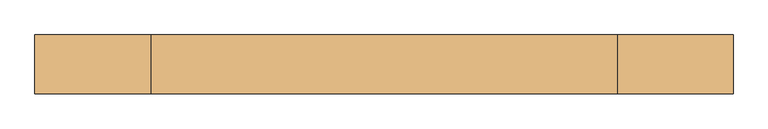
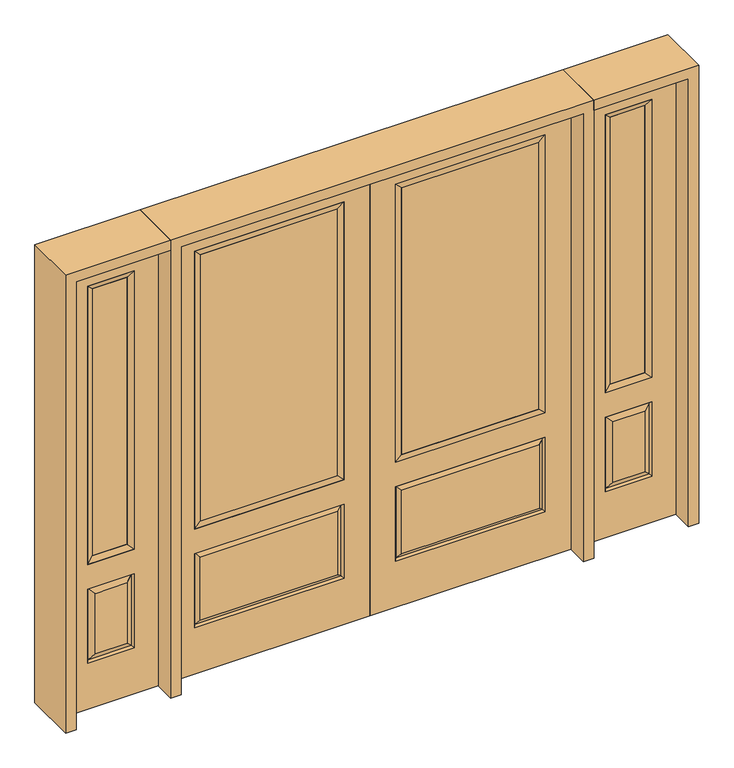
"""IFC4 building model written with IfcOpenShell, lengths in millimetres: door geometry."""

from ifc_helpers import new_model, si_unit, frame, origin, place, context, project, spatial, polyline, outline, extrude, faceted_brep, source, transform, mapped, element, save


def door_95a204be(model_context):
    return source(origin(), model_context, "Body", "SolidModel", [
        faceted_brep([(745.3661499, -12.7912373, 216.6588501), (727.86875, -22.225, 234.15625), (135.73125, -22.225, 234.15625), (118.2338501, -12.7912373, 216.6588501), (111.125, -22.225, 209.55), (752.475, -22.225, 209.55), (752.475, -22.225, 546.1), (745.3661499, -12.7912373, 538.9911499), (0.0, -22.225, 2032.0), (0.0, -22.225, 0.0), (863.6, -22.225, 0.0), (863.6, -22.225, 2032.0), (111.125, -22.225, 546.1), (111.125, -22.225, 1917.7), (752.475, -22.225, 1917.7), (752.475, -22.225, 657.098), (111.125, -22.225, 657.098), (727.86875, -22.225, 521.49375), (135.73125, -22.225, 521.49375), (118.2338501, -12.7912373, 538.9911499), (863.6, 22.225, 0.0), (863.6, 22.225, 2032.0), (0.0, 22.225, 0.0), (0.0, 22.225, 2032.0), (111.125, 22.225, 657.098), (111.125, 22.225, 1917.7), (752.475, 22.225, 657.098), (752.475, 22.225, 1917.7), (135.73125, 22.225, 234.15625), (135.73125, 22.225, 521.49375), (727.86875, 22.225, 521.49375), (727.86875, 22.225, 234.15625), (752.475, 22.225, 209.55), (752.475, 22.225, 546.1), (111.125, 22.225, 546.1), (111.125, 22.225, 209.55), (118.2338501, 12.7912373, 216.6588501), (745.3661499, 12.7912373, 216.6588501), (118.2338501, 12.7912373, 538.9911499), (745.3661499, 12.7912373, 538.9911499)], [[[0, 1, 2, 3]], [[3, 4, 5, 0]], [[5, 6, 7, 0]], [[8, 9, 10, 11], [4, 12, 6, 5], [13, 14, 15, 16]], [[1, 17, 18, 2]], [[3, 19, 12, 4]], [[2, 18, 19, 3]], [[0, 7, 17, 1]], [[6, 12, 19, 7]], [[7, 19, 18, 17]], [[10, 20, 21, 11]], [[9, 22, 20, 10]], [[8, 23, 22, 9]], [[16, 24, 25, 13]], [[15, 26, 24, 16]], [[14, 27, 26, 15]], [[28, 29, 30, 31]], [[23, 21, 20, 22], [25, 24, 26, 27], [32, 33, 34, 35]], [[32, 35, 36, 37]], [[35, 34, 38, 36]], [[39, 38, 34, 33]], [[37, 39, 33, 32]], [[36, 28, 31, 37]], [[31, 30, 39, 37]], [[30, 29, 38, 39]], [[36, 38, 29, 28]], [[11, 21, 23, 8]], [[13, 25, 27, 14]]]),
        faceted_brep([(752.475, -22.225, 1917.7), (752.475, -22.225, 657.098), (752.475, 22.225, 657.098), (752.475, 22.225, 1917.7), (111.125, -22.225, 657.098), (111.125, 22.225, 657.098), (136.525, 5.08, 682.498), (727.075, 5.08, 682.498), (111.125, -22.225, 1917.7), (111.125, 22.225, 1917.7), (727.075, -20.32, 682.498), (136.525, -20.32, 682.498), (727.075, -20.32, 1892.3), (136.525, -20.32, 1892.3), (727.075, 5.08, 1892.3), (136.525, 5.08, 1892.3)], [[[0, 1, 2, 3]], [[1, 4, 5, 2]], [[2, 5, 6, 7]], [[4, 8, 9, 5]], [[10, 11, 4, 1]], [[12, 10, 1, 0]], [[11, 13, 8, 4]], [[7, 6, 11, 10]], [[14, 7, 10, 12]], [[6, 15, 13, 11]], [[3, 2, 7, 14]], [[5, 9, 15, 6]], [[8, 0, 3, 9]], [[13, 12, 0, 8]], [[15, 14, 12, 13]], [[9, 3, 14, 15]]]),
        extrude(outline(polyline([(136.525, -20.32), (136.525, 5.08), (727.075, 5.08), (727.075, -20.32), (136.525, -20.32)])), frame((0.0, 0.0, 682.498), z_axis=(0.0, 0.0, 1.0), x_axis=(1.0, 0.0, 0.0)), (0.0, 0.0, 1.0), 1209.802),
        faceted_brep([(908.05, -22.225, 0.0), (1314.45, -22.225, 0.0), (1314.45, -22.225, 2032.0), (908.05, -22.225, 2032.0), (1211.58, -22.225, 1919.224), (1211.58, -22.225, 657.098), (1010.92, -22.225, 657.098), (1010.92, -22.225, 1919.224), (1211.58, -22.225, 209.55), (1010.92, -22.225, 209.55), (1010.92, -22.225, 546.1), (1211.58, -22.225, 546.1), (1042.6351001, -22.225, 241.2651001), (1179.8648999, -22.225, 241.2651001), (1179.8648999, -22.225, 514.3848999), (1042.6351001, -22.225, 514.3848999), (908.05, 22.225, 0.0), (908.05, 22.225, 2032.0), (1314.45, 22.225, 2032.0), (1314.45, 22.225, 0.0), (1211.58, 22.225, 1919.224), (1010.92, 22.225, 1919.224), (1010.92, 22.225, 657.098), (1211.58, 22.225, 657.098), (1010.92, 22.225, 209.55), (1211.58, 22.225, 209.55), (1211.58, 22.225, 546.1), (1010.92, 22.225, 546.1), (1179.8648999, 22.225, 241.2651001), (1042.6351001, 22.225, 241.2651001), (1042.6351001, 22.225, 514.3848999), (1179.8648999, 22.225, 514.3848999), (1204.4711499, 12.7912373, 216.6588501), (1018.0288501, 12.7912373, 216.6588501), (1018.0288501, 12.7912373, 538.9911499), (1204.4711499, 12.7912373, 538.9911499), (1018.0288501, -12.7912373, 216.6588501), (1204.4711499, -12.7912373, 216.6588501), (1018.0288501, -12.7912373, 538.9911499), (1204.4711499, -12.7912373, 538.9911499)], [[[0, 1, 2, 3], [4, 5, 6, 7], [8, 9, 10, 11]], [[12, 13, 14, 15]], [[16, 17, 18, 19], [20, 21, 22, 23], [24, 25, 26, 27]], [[28, 29, 30, 31]], [[1, 0, 16, 19]], [[2, 1, 19, 18]], [[3, 2, 18, 17]], [[0, 3, 17, 16]], [[5, 4, 20, 23]], [[6, 5, 23, 22]], [[7, 6, 22, 21]], [[4, 7, 21, 20]], [[32, 33, 29, 28]], [[33, 32, 25, 24]], [[29, 33, 34, 30]], [[33, 24, 27, 34]], [[30, 34, 35, 31]], [[34, 27, 26, 35]], [[32, 28, 31, 35]], [[25, 32, 35, 26]], [[12, 36, 37, 13]], [[37, 36, 9, 8]], [[36, 12, 15, 38]], [[9, 36, 38, 10]], [[38, 15, 14, 39]], [[10, 38, 39, 11]], [[13, 37, 39, 14]], [[37, 8, 11, 39]]]),
        faceted_brep([(1010.92, 22.225, 1919.224), (1010.92, -22.225, 1919.224), (1211.58, -22.225, 1919.224), (1211.58, 22.225, 1919.224), (1036.32, 12.7, 1893.824), (1186.18, 12.7, 1893.824), (1036.32, -12.7, 1893.824), (1186.18, -12.7, 1893.824), (1211.58, -22.225, 657.098), (1211.58, 22.225, 657.098), (1186.18, 12.7, 682.498), (1186.18, -12.7, 682.498), (1010.92, -22.225, 657.098), (1010.92, 22.225, 657.098), (1036.32, 12.7, 682.498), (1036.32, -12.7, 682.498)], [[[0, 1, 2, 3]], [[4, 0, 3, 5]], [[6, 4, 5, 7]], [[1, 6, 7, 2]], [[3, 2, 8, 9]], [[5, 3, 9, 10]], [[7, 5, 10, 11]], [[2, 7, 11, 8]], [[9, 8, 12, 13]], [[10, 9, 13, 14]], [[11, 10, 14, 15]], [[8, 11, 15, 12]], [[13, 12, 1, 0]], [[14, 13, 0, 4]], [[15, 14, 4, 6]], [[12, 15, 6, 1]]]),
        extrude(outline(polyline([(1186.18, -12.7), (1036.32, -12.7), (1036.32, 12.7), (1186.18, 12.7), (1186.18, -12.7)])), frame((0.0, 0.0, 682.498), z_axis=(0.0, 0.0, 1.0), x_axis=(1.0, 0.0, 0.0)), (0.0, 0.0, 1.0), 1211.326),
        faceted_brep([(-1314.45, -22.225, 0.0), (-908.05, -22.225, 0.0), (-908.05, -22.225, 2032.0), (-1314.45, -22.225, 2032.0), (-1010.92, -22.225, 1919.224), (-1010.92, -22.225, 657.098), (-1211.58, -22.225, 657.098), (-1211.58, -22.225, 1919.224), (-1010.92, -22.225, 209.55), (-1211.58, -22.225, 209.55), (-1211.58, -22.225, 546.1), (-1010.92, -22.225, 546.1), (-1179.8648999, -22.225, 241.2651001), (-1042.6351001, -22.225, 241.2651001), (-1042.6351001, -22.225, 514.3848999), (-1179.8648999, -22.225, 514.3848999), (-1314.45, 22.225, 0.0), (-1314.45, 22.225, 2032.0), (-908.05, 22.225, 2032.0), (-908.05, 22.225, 0.0), (-1010.92, 22.225, 1919.224), (-1211.58, 22.225, 1919.224), (-1211.58, 22.225, 657.098), (-1010.92, 22.225, 657.098), (-1211.58, 22.225, 209.55), (-1010.92, 22.225, 209.55), (-1010.92, 22.225, 546.1), (-1211.58, 22.225, 546.1), (-1042.6351001, 22.225, 241.2651001), (-1179.8648999, 22.225, 241.2651001), (-1179.8648999, 22.225, 514.3848999), (-1042.6351001, 22.225, 514.3848999), (-1018.0288501, 12.7912373, 216.6588501), (-1204.4711499, 12.7912373, 216.6588501), (-1204.4711499, 12.7912373, 538.9911499), (-1018.0288501, 12.7912373, 538.9911499), (-1204.4711499, -12.7912373, 216.6588501), (-1018.0288501, -12.7912373, 216.6588501), (-1204.4711499, -12.7912373, 538.9911499), (-1018.0288501, -12.7912373, 538.9911499)], [[[0, 1, 2, 3], [4, 5, 6, 7], [8, 9, 10, 11]], [[12, 13, 14, 15]], [[16, 17, 18, 19], [20, 21, 22, 23], [24, 25, 26, 27]], [[28, 29, 30, 31]], [[1, 0, 16, 19]], [[2, 1, 19, 18]], [[3, 2, 18, 17]], [[0, 3, 17, 16]], [[5, 4, 20, 23]], [[6, 5, 23, 22]], [[7, 6, 22, 21]], [[4, 7, 21, 20]], [[32, 33, 29, 28]], [[33, 32, 25, 24]], [[29, 33, 34, 30]], [[33, 24, 27, 34]], [[30, 34, 35, 31]], [[34, 27, 26, 35]], [[32, 28, 31, 35]], [[25, 32, 35, 26]], [[12, 36, 37, 13]], [[37, 36, 9, 8]], [[36, 12, 15, 38]], [[9, 36, 38, 10]], [[38, 15, 14, 39]], [[10, 38, 39, 11]], [[13, 37, 39, 14]], [[37, 8, 11, 39]]]),
        faceted_brep([(-1211.58, 22.225, 1919.224), (-1211.58, -22.225, 1919.224), (-1010.92, -22.225, 1919.224), (-1010.92, 22.225, 1919.224), (-1186.18, 12.7, 1893.824), (-1036.32, 12.7, 1893.824), (-1186.18, -12.7, 1893.824), (-1036.32, -12.7, 1893.824), (-1010.92, -22.225, 657.098), (-1010.92, 22.225, 657.098), (-1036.32, 12.7, 682.498), (-1036.32, -12.7, 682.498), (-1211.58, -22.225, 657.098), (-1211.58, 22.225, 657.098), (-1186.18, 12.7, 682.498), (-1186.18, -12.7, 682.498)], [[[0, 1, 2, 3]], [[4, 0, 3, 5]], [[6, 4, 5, 7]], [[1, 6, 7, 2]], [[3, 2, 8, 9]], [[5, 3, 9, 10]], [[7, 5, 10, 11]], [[2, 7, 11, 8]], [[9, 8, 12, 13]], [[10, 9, 13, 14]], [[11, 10, 14, 15]], [[8, 11, 15, 12]], [[13, 12, 1, 0]], [[14, 13, 0, 4]], [[15, 14, 4, 6]], [[12, 15, 6, 1]]]),
        extrude(outline(polyline([(-1036.32, -12.7), (-1186.18, -12.7), (-1186.18, 12.7), (-1036.32, 12.7), (-1036.32, -12.7)])), frame((0.0, 0.0, 682.498), z_axis=(0.0, 0.0, 1.0), x_axis=(1.0, 0.0, 0.0)), (0.0, 0.0, 1.0), 1211.326),
        faceted_brep([(-745.3661499, -12.7912373, 216.6588501), (-118.2338501, -12.7912373, 216.6588501), (-135.73125, -22.225, 234.15625), (-727.86875, -22.225, 234.15625), (-752.475, -22.225, 209.55), (-111.125, -22.225, 209.55), (-745.3661499, -12.7912373, 538.9911499), (-752.475, -22.225, 546.1), (-135.73125, -22.225, 521.49375), (-727.86875, -22.225, 521.49375), (0.0, -22.225, 2032.0), (-863.6, -22.225, 2032.0), (-863.6, -22.225, 0.0), (0.0, -22.225, 0.0), (-111.125, -22.225, 546.1), (-111.125, -22.225, 1917.7), (-111.125, -22.225, 657.098), (-752.475, -22.225, 657.098), (-752.475, -22.225, 1917.7), (-118.2338501, -12.7912373, 538.9911499), (-863.6, 22.225, 2032.0), (-863.6, 22.225, 0.0), (0.0, 22.225, 0.0), (0.0, 22.225, 2032.0), (-111.125, 22.225, 1917.7), (-111.125, 22.225, 657.098), (-752.475, 22.225, 657.098), (-752.475, 22.225, 1917.7), (-752.475, 22.225, 209.55), (-111.125, 22.225, 209.55), (-111.125, 22.225, 546.1), (-752.475, 22.225, 546.1), (-135.73125, 22.225, 234.15625), (-727.86875, 22.225, 234.15625), (-727.86875, 22.225, 521.49375), (-135.73125, 22.225, 521.49375), (-745.3661499, 12.7912373, 216.6588501), (-118.2338501, 12.7912373, 216.6588501), (-118.2338501, 12.7912373, 538.9911499), (-745.3661499, 12.7912373, 538.9911499)], [[[0, 1, 2, 3]], [[1, 0, 4, 5]], [[4, 0, 6, 7]], [[3, 2, 8, 9]], [[10, 11, 12, 13], [5, 4, 7, 14], [15, 16, 17, 18]], [[1, 5, 14, 19]], [[2, 1, 19, 8]], [[0, 3, 9, 6]], [[7, 6, 19, 14]], [[6, 9, 8, 19]], [[12, 11, 20, 21]], [[13, 12, 21, 22]], [[10, 13, 22, 23]], [[16, 15, 24, 25]], [[17, 16, 25, 26]], [[18, 17, 26, 27]], [[23, 22, 21, 20], [28, 29, 30, 31], [24, 27, 26, 25]], [[32, 33, 34, 35]], [[28, 36, 37, 29]], [[29, 37, 38, 30]], [[39, 31, 30, 38]], [[36, 28, 31, 39]], [[37, 36, 33, 32]], [[33, 36, 39, 34]], [[34, 39, 38, 35]], [[37, 32, 35, 38]], [[11, 10, 23, 20]], [[15, 18, 27, 24]]]),
        faceted_brep([(-752.475, -22.225, 1917.7), (-752.475, 22.225, 1917.7), (-752.475, 22.225, 657.098), (-752.475, -22.225, 657.098), (-111.125, 22.225, 657.098), (-111.125, -22.225, 657.098), (-727.075, 5.08, 682.498), (-136.525, 5.08, 682.498), (-111.125, 22.225, 1917.7), (-111.125, -22.225, 1917.7), (-727.075, -20.32, 682.498), (-136.525, -20.32, 682.498), (-727.075, -20.32, 1892.3), (-136.525, -20.32, 1892.3), (-727.075, 5.08, 1892.3), (-136.525, 5.08, 1892.3)], [[[0, 1, 2, 3]], [[3, 2, 4, 5]], [[2, 6, 7, 4]], [[5, 4, 8, 9]], [[10, 3, 5, 11]], [[12, 0, 3, 10]], [[11, 5, 9, 13]], [[6, 10, 11, 7]], [[14, 12, 10, 6]], [[7, 11, 13, 15]], [[1, 14, 6, 2]], [[4, 7, 15, 8]], [[9, 8, 1, 0]], [[13, 9, 0, 12]], [[15, 13, 12, 14]], [[8, 15, 14, 1]]]),
        extrude(outline(polyline([(-136.525, -20.32), (-727.075, -20.32), (-727.075, 5.08), (-136.525, 5.08), (-136.525, -20.32)])), frame((0.0, 0.0, 682.498), z_axis=(0.0, 0.0, 1.0), x_axis=(1.0, 0.0, 0.0)), (0.0, 0.0, 1.0), 1209.802),
        extrude(outline(polyline([(2032.0, -908.05), (2076.45, -908.05), (2076.45, -1358.9), (0.0, -1358.9), (0.0, -1314.45), (2032.0, -1314.45), (2032.0, -908.05)])), frame((0.0, -114.3, 0.0), z_axis=(0.0, 1.0, 0.0), x_axis=(0.0, 0.0, 1.0)), (0.0, 0.0, 1.0), 228.6),
        extrude(outline(polyline([(2076.45, -908.05), (0.0, -908.05), (0.0, -863.6), (2032.0, -863.6), (2032.0, 863.6), (0.0, 863.6), (0.0, 908.05), (2076.45, 908.05), (2076.45, -908.05)])), frame((0.0, -114.3, 0.0), z_axis=(0.0, 1.0, 0.0), x_axis=(0.0, 0.0, 1.0)), (0.0, 0.0, 1.0), 228.6),
        extrude(outline(polyline([(0.0, 1314.45), (0.0, 1358.9), (2076.45, 1358.9), (2076.45, 908.05), (2032.0, 908.05), (2032.0, 1314.45), (0.0, 1314.45)])), frame((0.0, -114.3, 0.0), z_axis=(0.0, 1.0, 0.0), x_axis=(0.0, 0.0, 1.0)), (0.0, 0.0, 1.0), 228.6),
    ])


if __name__ == "__main__":
    model = new_model("IFC4")
    model_context = context("Model", 3, world=origin())
    ifc_project = project(units=[si_unit("LENGTHUNIT", "METRE", prefix="MILLI")], contexts=[model_context])
    site = spatial("IfcSite", under=ifc_project)
    building = spatial("IfcBuilding", under=site)
    placement = place(None, origin())
    door_shape = door_95a204be(model_context)
    element("IfcDoor", 1, at=placement, inside=building, context=model_context, shape_type="MappedRepresentation", body=[
        mapped(door_shape, transform((0.0, 0.0, 0.0), x_axis=(1.0, 0.0, 0.0), y_axis=(0.0, 1.0, 0.0), z_axis=(0.0, 0.0, 1.0))),
    ])
    save(model, "model.ifc")
